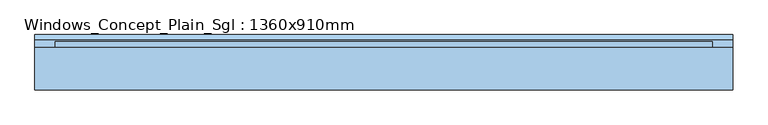
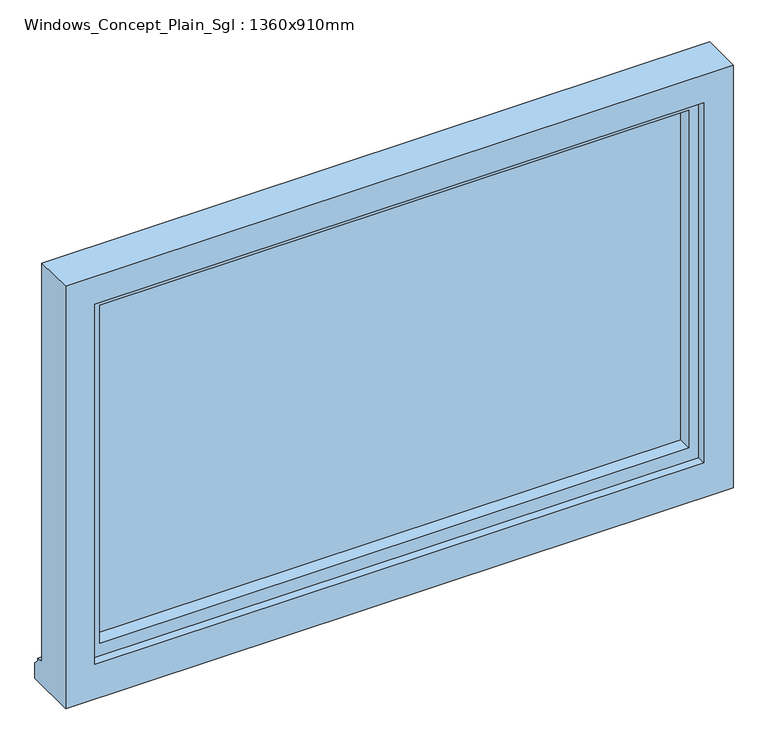
"""IFC4 building model written with IfcOpenShell, lengths in millimetres: window geometry, Windows_Concept_Plain_Sgl : 1360x910mm."""

import ifcopenshell
import ifcopenshell.guid

model = None  # the IFC model being written
_history = None  # IfcOwnerHistory: only IFC2X3 demands one
_inside = {}  # id of a spatial element -> (the spatial element, [elements in it])
_under = {}  # id of a project, library or spatial element -> (it, [spatial elements below it])
_declared = {}  # id of a project -> (the project, [libraries it declares])
_typed = {}  # id of a type object -> (the type object, [elements of that type])
_made_of = {}  # id of a material, layer set ... -> (it, [elements and type objects made of it])


def new_model(schema):
    """Start an empty IFC model of exactly this schema.

    Asked for "IFC4X3", IfcOpenShell would pick the latest addendum, in which some entities
    have other attributes; the version numbers below select the first issue.
    IFC2X3 requires an IfcOwnerHistory on every rooted entity: one is made here for all.
    """
    global model, _history
    if schema == "IFC4X3":
        model = ifcopenshell.file(schema_version=(4, 3, 0, 0))
    else:
        model = ifcopenshell.file(schema=schema)
    _inside.clear()
    _under.clear()
    _declared.clear()
    _typed.clear()
    _made_of.clear()
    _history = None
    if model.schema == "IFC2X3":
        org = make("IfcOrganization", Name="unknown")
        user = make(
            "IfcPersonAndOrganization",
            ThePerson=make("IfcPerson", FamilyName="unknown"),
            TheOrganization=org,
        )
        app = make(
            "IfcApplication",
            ApplicationDeveloper=org,
            Version="unknown",
            ApplicationFullName="unknown",
            ApplicationIdentifier="unknown",
        )
        _history = make(
            "IfcOwnerHistory",
            OwningUser=user,
            OwningApplication=app,
            ChangeAction="ADDED",
            CreationDate=0,
        )
    return model


def make(cls, **values):
    """One entity of the class cls with the attributes given. An attribute that is None is left unset."""
    return model.create_entity(
        cls, **{name: value for name, value in values.items() if value is not None}
    )


def rooted(cls, **values):
    """An entity with a GlobalId (a new one), such as an element, a storey or a relation."""
    return make(cls, GlobalId=ifcopenshell.guid.new(), OwnerHistory=_history, **values)


def si_unit(unit_type, name, prefix=None):
    """IfcSIUnit, for example si_unit("LENGTHUNIT", "METRE", prefix="MILLI")."""
    return make("IfcSIUnit", UnitType=unit_type, Prefix=prefix, Name=name)


def assignment(units):
    """IfcUnitAssignment: the units of a project."""
    return None if units is None else make("IfcUnitAssignment", Units=units)


def point(xyz):
    """IfcCartesianPoint."""
    return None if xyz is None else make("IfcCartesianPoint", Coordinates=xyz)


def direction(xyz):
    """IfcDirection."""
    return None if xyz is None else make("IfcDirection", DirectionRatios=xyz)


def frame(location, z_axis=None, x_axis=None):
    """IfcAxis2Placement3D, a coordinate frame: its origin and axes. An axis left out is left unset."""
    return make(
        "IfcAxis2Placement3D",
        Location=point(location),
        Axis=direction(z_axis),
        RefDirection=direction(x_axis),
    )


def origin():
    """The frame at (0, 0, 0) with its axes left unset."""
    return frame((0.0, 0.0, 0.0))


def place(relative_to, where):
    """IfcLocalPlacement: puts the frame where relative to a parent placement (None: the world)."""
    return make(
        "IfcLocalPlacement", PlacementRelTo=relative_to, RelativePlacement=where
    )


def context(
    kind, dimensions, precision=None, world=None, true_north=None, identifier=None
):
    """IfcGeometricRepresentationContext, for example the 3D "Model" context."""
    return make(
        "IfcGeometricRepresentationContext",
        ContextIdentifier=identifier,
        ContextType=kind,
        CoordinateSpaceDimension=dimensions,
        Precision=precision,
        WorldCoordinateSystem=world,
        TrueNorth=true_north,
    )


def project(units=None, contexts=None):
    """IfcProject with its units and contexts."""
    return rooted(
        "IfcProject",
        Name="project",
        RepresentationContexts=contexts,
        UnitsInContext=assignment(units),
    )


def spatial(cls, under=None, at=None, **own):
    """A site, building, storey or space (cls), placed at a placement, below another one or the project."""
    s = rooted(cls, ObjectPlacement=at, **own)
    if under is not None:
        _under.setdefault(under.id(), (under, []))[1].append(s)
    return s


def polyline(points):
    """IfcPolyline through the points."""
    return make("IfcPolyline", Points=[point(p) for p in points])


def outline(outer, holes=None, kind="AREA"):
    """IfcArbitraryClosedProfileDef: a profile drawn as a closed curve; with holes, ...WithVoids."""
    if holes is None:
        return make("IfcArbitraryClosedProfileDef", ProfileType=kind, OuterCurve=outer)
    return make(
        "IfcArbitraryProfileDefWithVoids",
        ProfileType=kind,
        OuterCurve=outer,
        InnerCurves=holes,
    )


def extrude(swept, where, along, depth):
    """IfcExtrudedAreaSolid: the profile swept, set in the frame where, extruded along a direction by depth."""
    return make(
        "IfcExtrudedAreaSolid",
        SweptArea=swept,
        Position=where,
        ExtrudedDirection=direction(along),
        Depth=depth,
    )


def faces_of(points, faces, orient=None, outer=None):
    """IfcFace entities. A face is a list of loops; a loop is a list of indices into points, from 0.

    orient and outer hold one flag for each loop. By default every Orientation is true, the
    first loop of a face is its IfcFaceOuterBound and the others are IfcFaceBound.
    """
    made = []
    for i, loops in enumerate(faces):
        bounds = []
        for j, loop in enumerate(loops):
            is_outer = j == 0 if outer is None else outer[i][j]
            bounds.append(
                make(
                    "IfcFaceOuterBound" if is_outer else "IfcFaceBound",
                    Bound=make("IfcPolyLoop", Polygon=[points[k] for k in loop]),
                    Orientation=True if orient is None else orient[i][j],
                )
            )
        made.append(make("IfcFace", Bounds=bounds))
    return made


def faceted_brep(points, faces, orient=None, outer=None, voids=None):
    """IfcFacetedBrep: a solid bounded by flat faces; with voids (closed shells), ...WithVoids."""
    shared = [point(p) for p in points]
    hull = make("IfcClosedShell", CfsFaces=faces_of(shared, faces, orient, outer))
    if voids is None:
        return make("IfcFacetedBrep", Outer=hull)
    return make(
        "IfcFacetedBrepWithVoids",
        Outer=hull,
        Voids=[
            make(cls, CfsFaces=faces_of(shared, fs, o, b)) for cls, fs, o, b in voids
        ],
    )


def shape(context_of_items, identifier, shape_type, items):
    """IfcShapeRepresentation: the items that make up one representation, for example the "Body"."""
    return make(
        "IfcShapeRepresentation",
        ContextOfItems=context_of_items,
        RepresentationIdentifier=identifier,
        RepresentationType=shape_type,
        Items=items,
    )


def source(mapping_origin, context_of_items, identifier, shape_type, items):
    """IfcRepresentationMap: a shape defined once, which mapped items show again and again."""
    return make(
        "IfcRepresentationMap",
        MappingOrigin=mapping_origin,
        MappedRepresentation=shape(context_of_items, identifier, shape_type, items),
    )


def transform(
    local_origin,
    x_axis=None,
    y_axis=None,
    z_axis=None,
    scale=None,
    scale2=None,
    scale3=None,
    uniform=True,
):
    """IfcCartesianTransformationOperator3D, or its non-uniform kind. x_axis, y_axis, z_axis: its Axis1, 2, 3."""
    if uniform:
        return make(
            "IfcCartesianTransformationOperator3D",
            Axis1=direction(x_axis),
            Axis2=direction(y_axis),
            LocalOrigin=point(local_origin),
            Scale=scale,
            Axis3=direction(z_axis),
        )
    return make(
        "IfcCartesianTransformationOperator3DnonUniform",
        Axis1=direction(x_axis),
        Axis2=direction(y_axis),
        LocalOrigin=point(local_origin),
        Scale=scale,
        Axis3=direction(z_axis),
        Scale2=scale2,
        Scale3=scale3,
    )


def mapped(mapping_source, mapping_target):
    """IfcMappedItem: shows the shape of a source again, moved by a transform."""
    return make(
        "IfcMappedItem", MappingSource=mapping_source, MappingTarget=mapping_target
    )


def made_of(thing, what):
    """Note that an element or type object is made of a material, layer set ...; save() writes the relation."""
    if what is not None:
        _made_of.setdefault(what.id(), (what, []))[1].append(thing)
    return thing


def element(
    cls,
    number,
    at=None,
    inside=None,
    cuts=None,
    type_object=None,
    material=None,
    context=None,
    identifier="Body",
    shape_type=None,
    held_by="IfcProductDefinitionShape",
    body=None,
    shapes=None,
    **own,
):
    """One element of the class cls, such as IfcWall. Its Tag is "e" and its number.

    at: its placement. inside: the storey or other place that contains it. cuts: it is an
    opening in that element (IfcRelVoidsElement). A single representation is given by context,
    identifier, shape_type and body (its items); several are given by shapes. held_by: the class
    of the entity that holds the representations. save() writes the other relations.
    """
    e = rooted(cls, Tag="e%d" % number, ObjectPlacement=at, **own)
    if body is not None:
        shapes = [shape(context, identifier, shape_type, body)]
    if shapes is not None:
        e.Representation = make(held_by, Representations=shapes)
    if inside is not None:
        _inside.setdefault(inside.id(), (inside, []))[1].append(e)
    if cuts is not None:
        rooted(
            "IfcRelVoidsElement", RelatingBuildingElement=cuts, RelatedOpeningElement=e
        )
    if type_object is not None:
        _typed.setdefault(type_object.id(), (type_object, []))[1].append(e)
    return made_of(e, material)


def aggregate(whole, parts):
    """IfcRelAggregates: a whole, such as a stair, and the parts it consists of."""
    return rooted("IfcRelAggregates", RelatingObject=whole, RelatedObjects=parts)


def save(model, path):
    """Write the relations noted so far, then the file.

    IfcRelAggregates (storeys below a building ...), IfcRelContainedInSpatialStructure (elements
    in a storey), IfcRelDefinesByType, IfcRelAssociatesMaterial and IfcRelDeclares: one each for
    every whole, place, type object, material and project.
    """
    for whole, parts in _under.values():
        aggregate(whole, parts)
    for where, things in _inside.values():
        rooted(
            "IfcRelContainedInSpatialStructure",
            RelatedElements=things,
            RelatingStructure=where,
        )
    for kind, things in _typed.values():
        rooted("IfcRelDefinesByType", RelatedObjects=things, RelatingType=kind)
    for what, things in _made_of.values():
        rooted("IfcRelAssociatesMaterial", RelatedObjects=things, RelatingMaterial=what)
    for by, libraries in _declared.values():
        rooted("IfcRelDeclares", RelatingContext=by, RelatedDefinitions=libraries)
    model.write(path)


def windows_concept_plain_sgl_1360x910mm_f17f4c23(model_context):
    return source(origin(), model_context, "Body", "SolidModel", [
        faceted_brep([(-680.0, 87.9565678, 1200.0), (680.0, 87.9565678, 1200.0), (680.0, 87.9565678, 2110.0), (-680.0, 87.9565678, 2110.0), (-620.0, 87.9565678, 2050.0), (620.0, 87.9565678, 2050.0), (620.0, 87.9565678, 1275.0), (-620.0, 87.9565678, 1275.0), (-680.0, 170.9565678, 2110.0), (-680.0, 170.9565678, 1251.0), (-680.0, 185.9565678, 1249.68767), (-680.0, 185.9565678, 1244.7449676), (-680.0, 195.9565678, 1233.8088847), (-680.0, 195.9565678, 1200.0), (680.0, 170.9565678, 2110.0), (680.0, 170.9565678, 1251.0), (-640.0, 170.9565678, 2070.0), (-640.0, 170.9565678, 1263.0), (640.0, 170.9565678, 1263.0), (640.0, 170.9565678, 2070.0), (-640.0, 105.9565678, 2070.0), (-640.0, 105.9565678, 1263.0), (640.0, 105.9565678, 2070.0), (640.0, 105.9565678, 1263.0), (-620.0, 105.9565678, 2050.0), (-620.0, 105.9565678, 1275.0), (620.0, 105.9565678, 1275.0), (620.0, 105.9565678, 2050.0), (680.0, 195.9565678, 1200.0), (680.0, 195.9565678, 1233.8088847), (680.0, 185.9565678, 1244.7449676), (680.0, 185.9565678, 1249.68767)], [[[0, 1, 2, 3], [4, 5, 6, 7]], [[0, 3, 8, 9, 10, 11, 12, 13]], [[9, 8, 14, 15], [16, 17, 18, 19]], [[17, 16, 20, 21]], [[20, 22, 23, 21], [24, 25, 26, 27]], [[24, 4, 7, 25]], [[3, 2, 14, 8]], [[16, 19, 22, 20]], [[5, 4, 24, 27]], [[15, 14, 2, 1, 28, 29, 30, 31]], [[19, 18, 23, 22]], [[5, 27, 26, 6]], [[28, 1, 0, 13]], [[29, 28, 13, 12]], [[30, 29, 12, 11]], [[31, 30, 11, 10]], [[15, 31, 10, 9]], [[21, 23, 18, 17]], [[7, 6, 26, 25]]]),
        extrude(outline(polyline([(610.0, 134.9565678), (-610.0, 134.9565678), (-610.0, 158.9565678), (610.0, 158.9565678), (610.0, 134.9565678)])), frame((0.0, 0.0, 1293.0), z_axis=(0.0, 0.0, 1.0), x_axis=(1.0, 0.0, 0.0)), (0.0, 0.0, 1.0), 747.0),
        faceted_brep([(-640.0, 105.9565678, 2070.0), (-640.0, 182.5035732, 2070.0), (-640.0, 182.5035732, 1263.0), (-640.0, 105.9565678, 1263.0), (-600.0, 134.9565678, 2030.0), (-600.0, 105.9565678, 2030.0), (-600.0, 105.9565678, 1303.0), (-600.0, 134.9565678, 1303.0), (-610.0, 158.9565678, 2040.0), (-610.0, 134.9565678, 2040.0), (-610.0, 134.9565678, 1293.0), (-610.0, 158.9565678, 1293.0), (-600.0, 182.5035732, 2030.0), (-600.0, 158.9565678, 2030.0), (-600.0, 158.9565678, 1303.0), (-600.0, 182.5035732, 1303.0), (640.0, 182.5035732, 1263.0), (640.0, 105.9565678, 1263.0), (600.0, 105.9565678, 1303.0), (600.0, 134.9565678, 1303.0), (610.0, 134.9565678, 1293.0), (610.0, 158.9565678, 1293.0), (600.0, 158.9565678, 1303.0), (600.0, 182.5035732, 1303.0), (640.0, 182.5035732, 2070.0), (640.0, 105.9565678, 2070.0), (600.0, 105.9565678, 2030.0), (600.0, 134.9565678, 2030.0), (610.0, 134.9565678, 2040.0), (610.0, 158.9565678, 2040.0), (600.0, 158.9565678, 2030.0), (600.0, 182.5035732, 2030.0)], [[[0, 1, 2, 3]], [[4, 5, 6, 7]], [[8, 9, 10, 11]], [[12, 13, 14, 15]], [[3, 2, 16, 17]], [[7, 6, 18, 19]], [[11, 10, 20, 21]], [[15, 14, 22, 23]], [[17, 16, 24, 25]], [[19, 18, 26, 27]], [[21, 20, 28, 29]], [[23, 22, 30, 31]], [[1, 24, 16, 2], [15, 23, 31, 12]], [[25, 24, 1, 0]], [[3, 17, 25, 0], [5, 26, 18, 6]], [[27, 26, 5, 4]], [[9, 28, 20, 10], [7, 19, 27, 4]], [[29, 28, 9, 8]], [[11, 21, 29, 8], [13, 30, 22, 14]], [[31, 30, 13, 12]]]),
    ])


if __name__ == "__main__":
    model = new_model("IFC4")
    model_context = context("Model", 3, world=origin())
    ifc_project = project(units=[si_unit("LENGTHUNIT", "METRE", prefix="MILLI")], contexts=[model_context])
    site = spatial("IfcSite", under=ifc_project)
    building = spatial("IfcBuilding", under=site)
    placement = place(None, origin())
    windows_concept_plain_sgl_1360x910mm_shape = windows_concept_plain_sgl_1360x910mm_f17f4c23(model_context)
    element("IfcWindow", 1, ObjectType="Windows_Concept_Plain_Sgl : 1360x910mm", at=placement, inside=building, context=model_context, shape_type="MappedRepresentation", body=[
        mapped(windows_concept_plain_sgl_1360x910mm_shape, transform((0.0, 0.0, 0.0), x_axis=(1.0, 0.0, 0.0), y_axis=(0.0, 1.0, 0.0), z_axis=(0.0, 0.0, 1.0))),
    ])
    save(model, "model.ifc")
